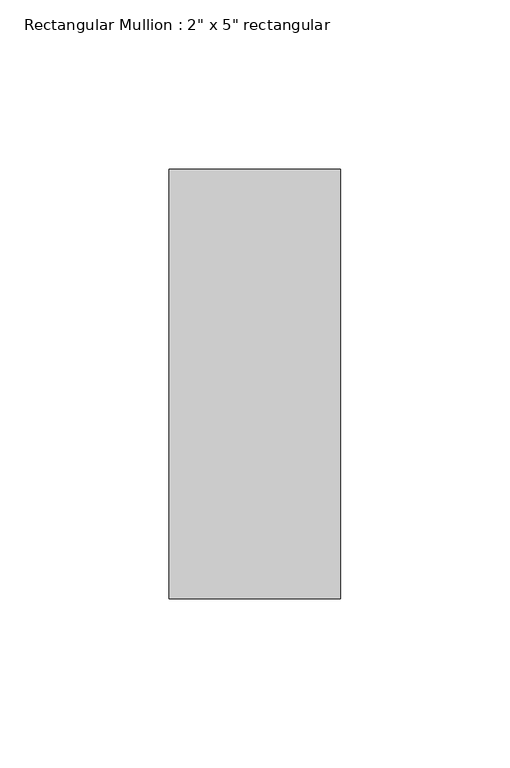
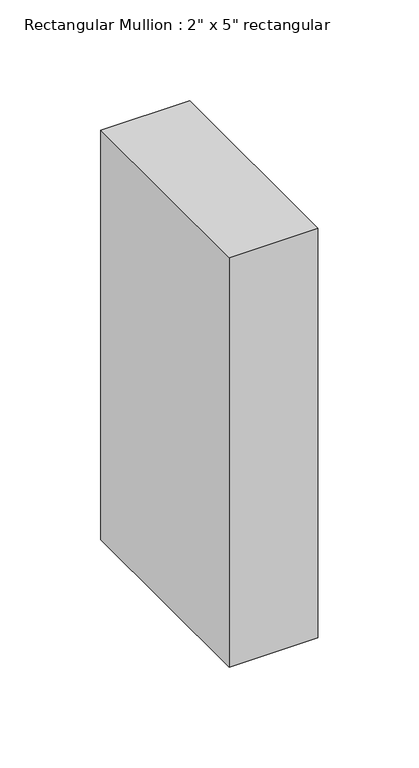
"""IFC4 building model written with IfcOpenShell, lengths in millimetres: member geometry."""

from ifc_helpers import new_model, si_unit, frame, origin, place, context, project, spatial, polyline, outline, extrude, source, transform, mapped, element, save


def member_9dfe16d5(model_context):
    return source(origin(), model_context, "Body", "SweptSolid", [
        extrude(outline(polyline([(25.4, 63.5), (25.4, -63.5), (-25.4, -63.5), (-25.4, 63.5), (25.4, 63.5)])), frame((0.0, 0.0, -247.65), z_axis=(0.0, 0.0, 1.0), x_axis=(1.0, 0.0, 0.0)), (0.0, 0.0, 1.0), 247.65),
    ])


if __name__ == "__main__":
    model = new_model("IFC4")
    model_context = context("Model", 3, world=origin())
    ifc_project = project(units=[si_unit("LENGTHUNIT", "METRE", prefix="MILLI")], contexts=[model_context])
    site = spatial("IfcSite", under=ifc_project)
    building = spatial("IfcBuilding", under=site)
    placement = place(None, origin())
    member_shape = member_9dfe16d5(model_context)
    element("IfcMember", 1, ObjectType="Rectangular Mullion : 2\" x 5\" rectangular", at=placement, inside=building, context=model_context, shape_type="MappedRepresentation", body=[
        mapped(member_shape, transform((0.0, 0.0, 0.0), x_axis=(1.0, 0.0, 0.0), y_axis=(0.0, 1.0, 0.0), z_axis=(0.0, 0.0, 1.0))),
    ])
    save(model, "model.ifc")
